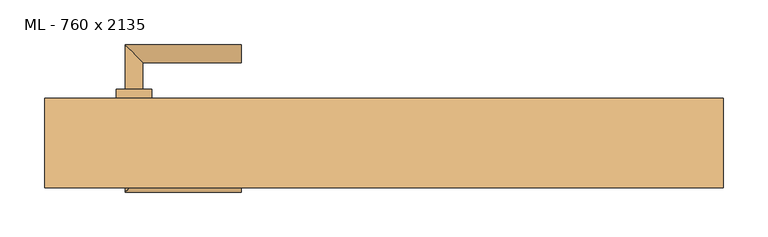
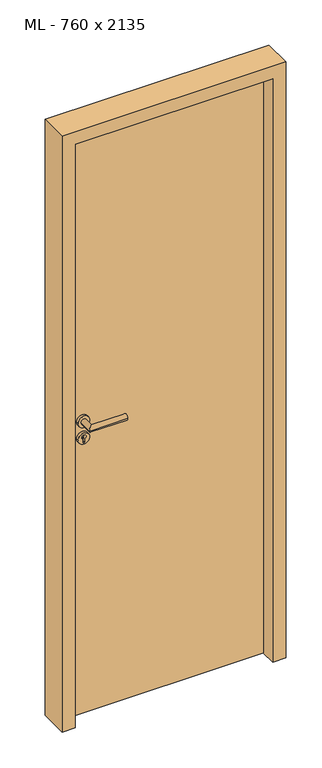
"""IFC4 building model written with IfcOpenShell, lengths in millimetres: door geometry, ML - 760 x 2135."""

from ifc_helpers import new_model, si_unit, point, frame, frame_2d, origin, origin_with_axes, place, context, project, spatial, polyline, circle_curve, ellipse_curve, trimmed, segment, composite_curve, outline, extrude, faceted_brep, source, transform, mapped, element, save
from ifc_brep_helpers import plane_surface, cylinder_surface, advanced_brep


def ml_760_x_2135_87b95336(model_context):
    return source(origin(), model_context, "Body", "SolidModel", [
        extrude(outline(polyline([(346.0, 50.0), (346.0, 5.0), (-346.0, 5.0), (-346.0, 50.0), (346.0, 50.0)])), origin_with_axes(), (0.0, 0.0, 1.0), 2101.0),
        advanced_brep(
        [(-270.0, 60.0, 1050.0), (-290.0, 60.0, 1050.0), (-270.0, 90.0, 1050.0), (-290.0, 110.0, 1050.0), (-160.0, 90.0, 1050.0), (-160.0, 110.0, 1050.0)],
        [
            (0, 1, circle_curve(frame((-280.0, 60.0, 1050.0), z_axis=(0.0, -1.0, 0.0), x_axis=(-1.0, 0.0, 0.0)), 10.0)),
            (1, 0, circle_curve(frame((-280.0, 60.0, 1050.0), z_axis=(0.0, -1.0, 0.0), x_axis=(-1.0, 0.0, 0.0)), 10.0)),
            (0, 2),
            (2, 3, ellipse_curve(frame((-280.0, 100.0, 1050.0), z_axis=(-0.7071067811865531, -0.7071067811865419, 0.0), x_axis=(0.707106781186542, -0.707106781186553, 0.0)), 14.1421356, 10.0)),
            (3, 1),
            (3, 2, ellipse_curve(frame((-280.0, 100.0, 1050.0), z_axis=(-0.7071067811865531, -0.7071067811865419, 0.0), x_axis=(0.707106781186542, -0.707106781186553, 0.0)), 14.1421356, 10.0)),
            (4, 5, circle_curve(frame((-160.0, 100.0, 1050.0), z_axis=(1.0, 0.0, 0.0), x_axis=(0.0, 1.0, 0.0)), 10.0)),
            (5, 4, circle_curve(frame((-160.0, 100.0, 1050.0), z_axis=(1.0, 0.0, 0.0), x_axis=(0.0, 1.0, 0.0)), 10.0)),
            (2, 4),
            (5, 3),
        ],
        [
            plane_surface(frame((-280.0, 60.0, 1050.0), z_axis=(0.0, -1.0, 0.0), x_axis=(0.0, 0.0, 1.0))),
            cylinder_surface(frame((-280.0, 60.0, 1050.0), z_axis=(0.0, -1.0, 0.0), x_axis=(-1.0, 0.0, 0.0)), 10.0),
            plane_surface(frame((-160.0, 100.0, 1050.0), z_axis=(1.0, 0.0, 0.0), x_axis=(0.0, 0.0, 1.0))),
            cylinder_surface(frame((-280.0, 100.0, 1050.0), z_axis=(-1.0, 0.0, 0.0), x_axis=(0.0, 1.0, 0.0)), 10.0),
        ],
        [
            (0, [[1, 2]]),
            (1, [[-1, 3, 4, 5]]),
            (1, [[-2, -5, 6, -3]]),
            (2, [[7, 8]]),
            (3, [[-4, 9, -8, 10]]),
            (3, [[-6, -10, -7, -9]]),
        ],
    ),
        extrude(outline(composite_curve([segment(trimmed(circle_curve(frame_2d((990.0, -280.0)), 20.0), [point((990.0, -300.0))], [point((990.0, -260.0))], False, "CARTESIAN"), True, "CONTINUOUS"), segment(trimmed(circle_curve(frame_2d((990.0, -280.0)), 20.0), [point((990.0, -260.0))], [point((990.0, -300.0))], False, "CARTESIAN"), True, "CONTINUOUS")], self_intersect=False), holes=[composite_curve([segment(polyline([(976.4601385, -282.397268), (988.4749012, -282.397268)]), True, "CONTINUOUS"), segment(trimmed(circle_curve(frame_2d((995.0361633, -280.0)), 6.9854888), [point((988.4749012, -282.397268))], [point((988.4749012, -277.602732))], True, "CARTESIAN"), True, "CONTINUOUS"), segment(polyline([(988.4749012, -277.602732), (976.4601385, -277.602732)]), True, "CONTINUOUS"), segment(trimmed(circle_curve(frame_2d((976.4601385, -280.0)), 2.397268), [point((976.4601385, -277.602732))], [point((976.4601385, -282.397268))], True, "CARTESIAN"), True, "CONTINUOUS")], self_intersect=False)]), frame((0.0, 50.0, 0.0), z_axis=(0.0, 1.0, 0.0), x_axis=(0.0, 0.0, 1.0)), (0.0, 0.0, 1.0), 10.0),
        advanced_brep(
        [(-270.0, 60.0, 1050.0), (-290.0, 60.0, 1050.0), (-270.0, 90.0, 1050.0), (-290.0, 110.0, 1050.0), (-160.0, 90.0, 1050.0), (-160.0, 110.0, 1050.0)],
        [
            (0, 1, circle_curve(frame((-280.0, 60.0, 1050.0), z_axis=(0.0, -1.0, 0.0), x_axis=(-1.0, 0.0, 0.0)), 10.0)),
            (1, 0, circle_curve(frame((-280.0, 60.0, 1050.0), z_axis=(0.0, -1.0, 0.0), x_axis=(-1.0, 0.0, 0.0)), 10.0)),
            (0, 2),
            (2, 3, ellipse_curve(frame((-280.0, 100.0, 1050.0), z_axis=(-0.7071067811865537, -0.7071067811865414, 0.0), x_axis=(0.7071067811865414, -0.7071067811865536, 0.0)), 14.1421356, 10.0)),
            (3, 1),
            (3, 2, ellipse_curve(frame((-280.0, 100.0, 1050.0), z_axis=(-0.7071067811865537, -0.7071067811865414, 0.0), x_axis=(0.7071067811865414, -0.7071067811865536, 0.0)), 14.1421356, 10.0)),
            (4, 5, circle_curve(frame((-160.0, 100.0, 1050.0), z_axis=(1.0, 0.0, 0.0), x_axis=(0.0, 1.0, 0.0)), 10.0)),
            (5, 4, circle_curve(frame((-160.0, 100.0, 1050.0), z_axis=(1.0, 0.0, 0.0), x_axis=(0.0, 1.0, 0.0)), 10.0)),
            (2, 4),
            (5, 3),
        ],
        [
            plane_surface(frame((-280.0, 60.0, 1050.0), z_axis=(0.0, -1.0, 0.0), x_axis=(0.0, 0.0, 1.0))),
            cylinder_surface(frame((-280.0, 60.0, 1050.0), z_axis=(0.0, -1.0, 0.0), x_axis=(-1.0, 0.0, 0.0)), 10.0),
            plane_surface(frame((-160.0, 100.0, 1050.0), z_axis=(1.0, 0.0, 0.0), x_axis=(0.0, 0.0, 1.0))),
            cylinder_surface(frame((-280.0, 100.0, 1050.0), z_axis=(-1.0, 0.0, 0.0), x_axis=(0.0, 1.0, 0.0)), 10.0),
        ],
        [
            (0, [[1, 2]]),
            (1, [[-1, 3, 4, 5]]),
            (1, [[-2, -5, 6, -3]]),
            (2, [[7, 8]]),
            (3, [[-4, 9, -8, 10]]),
            (3, [[-6, -10, -7, -9]]),
        ],
    ),
        extrude(outline(composite_curve([segment(trimmed(circle_curve(frame_2d((1050.0, -280.0)), 20.0), [point((1050.0, -300.0))], [point((1050.0, -260.0))], False, "CARTESIAN"), True, "CONTINUOUS"), segment(trimmed(circle_curve(frame_2d((1050.0, -280.0)), 20.0), [point((1050.0, -260.0))], [point((1050.0, -300.0))], False, "CARTESIAN"), True, "CONTINUOUS")], self_intersect=False)), frame((0.0, 50.0, 0.0), z_axis=(0.0, 1.0, 0.0), x_axis=(0.0, 0.0, 1.0)), (0.0, 0.0, 1.0), 10.0),
        advanced_brep(
        [(-270.0, -5.0, 1050.0), (-290.0, -5.0, 1050.0), (-290.0, -55.0, 1050.0), (-270.0, -35.0, 1050.0), (-160.0, -35.0, 1050.0), (-160.0, -55.0, 1050.0)],
        [
            (0, 1, circle_curve(frame((-280.0, -5.0, 1050.0), z_axis=(0.0, 1.0, 0.0), x_axis=(-1.0, 0.0, 0.0)), 10.0)),
            (1, 0, circle_curve(frame((-280.0, -5.0, 1050.0), z_axis=(0.0, 1.0, 0.0), x_axis=(-1.0, 0.0, 0.0)), 10.0)),
            (1, 2),
            (2, 3, ellipse_curve(frame((-280.0, -45.0, 1050.0), z_axis=(-0.7071067811865486, 0.7071067811865464, 0.0), x_axis=(0.7071067811865464, 0.7071067811865488, 0.0)), 14.1421356, 10.0)),
            (3, 0),
            (3, 2, ellipse_curve(frame((-280.0, -45.0, 1050.0), z_axis=(-0.7071067811865486, 0.7071067811865464, 0.0), x_axis=(0.7071067811865464, 0.7071067811865488, 0.0)), 14.1421356, 10.0)),
            (4, 5, circle_curve(frame((-160.0, -45.0, 1050.0), z_axis=(1.0, 0.0, 0.0), x_axis=(0.0, -1.0, 0.0)), 10.0)),
            (5, 4, circle_curve(frame((-160.0, -45.0, 1050.0), z_axis=(1.0, 0.0, 0.0), x_axis=(0.0, -1.0, 0.0)), 10.0)),
            (2, 5),
            (4, 3),
        ],
        [
            plane_surface(frame((-280.0, -5.0, 1050.0), z_axis=(0.0, 1.0, 0.0), x_axis=(0.0, 0.0, 1.0))),
            cylinder_surface(frame((-280.0, -5.0, 1050.0), z_axis=(0.0, 1.0, 0.0), x_axis=(-1.0, 0.0, 0.0)), 10.0),
            plane_surface(frame((-160.0, -45.0, 1050.0), z_axis=(1.0, 0.0, 0.0), x_axis=(0.0, 0.0, 1.0))),
            cylinder_surface(frame((-280.0, -45.0, 1050.0), z_axis=(-1.0, 0.0, 0.0), x_axis=(0.0, -1.0, 0.0)), 10.0),
        ],
        [
            (0, [[1, 2]]),
            (1, [[3, 4, 5, -2]]),
            (1, [[-5, 6, -3, -1]]),
            (2, [[7, 8]]),
            (3, [[9, -7, 10, -4]]),
            (3, [[-10, -8, -9, -6]]),
        ],
    ),
        extrude(outline(composite_curve([segment(trimmed(circle_curve(frame_2d((990.0, -280.0)), 20.0), [point((990.0, -300.0))], [point((990.0, -260.0))], False, "CARTESIAN"), True, "CONTINUOUS"), segment(trimmed(circle_curve(frame_2d((990.0, -280.0)), 20.0), [point((990.0, -260.0))], [point((990.0, -300.0))], False, "CARTESIAN"), True, "CONTINUOUS")], self_intersect=False), holes=[composite_curve([segment(polyline([(976.4601385, -282.397268), (988.4749012, -282.397268)]), True, "CONTINUOUS"), segment(trimmed(circle_curve(frame_2d((995.0361633, -280.0)), 6.9854888), [point((988.4749012, -282.397268))], [point((988.4749012, -277.602732))], True, "CARTESIAN"), True, "CONTINUOUS"), segment(polyline([(988.4749012, -277.602732), (976.4601385, -277.602732)]), True, "CONTINUOUS"), segment(trimmed(circle_curve(frame_2d((976.4601385, -280.0)), 2.397268), [point((976.4601385, -277.602732))], [point((976.4601385, -282.397268))], True, "CARTESIAN"), True, "CONTINUOUS")], self_intersect=False)]), frame((0.0, -5.0, 0.0), z_axis=(0.0, 1.0, 0.0), x_axis=(0.0, 0.0, 1.0)), (0.0, 0.0, 1.0), 10.0),
        advanced_brep(
        [(-270.0, -5.0, 1050.0), (-290.0, -5.0, 1050.0), (-290.0, -55.0, 1050.0), (-270.0, -35.0, 1050.0), (-160.0, -35.0, 1050.0), (-160.0, -55.0, 1050.0)],
        [
            (0, 1, circle_curve(frame((-280.0, -5.0, 1050.0), z_axis=(0.0, 1.0, 0.0), x_axis=(-1.0, 0.0, 0.0)), 10.0)),
            (1, 0, circle_curve(frame((-280.0, -5.0, 1050.0), z_axis=(0.0, 1.0, 0.0), x_axis=(-1.0, 0.0, 0.0)), 10.0)),
            (1, 2),
            (2, 3, ellipse_curve(frame((-280.0, -45.0, 1050.0), z_axis=(-0.7071067811865491, 0.7071067811865459, 0.0), x_axis=(0.7071067811865458, 0.7071067811865492, 0.0)), 14.1421356, 10.0)),
            (3, 0),
            (3, 2, ellipse_curve(frame((-280.0, -45.0, 1050.0), z_axis=(-0.7071067811865491, 0.7071067811865459, 0.0), x_axis=(0.7071067811865458, 0.7071067811865492, 0.0)), 14.1421356, 10.0)),
            (4, 5, circle_curve(frame((-160.0, -45.0, 1050.0), z_axis=(1.0, 0.0, 0.0), x_axis=(0.0, -1.0, 0.0)), 10.0)),
            (5, 4, circle_curve(frame((-160.0, -45.0, 1050.0), z_axis=(1.0, 0.0, 0.0), x_axis=(0.0, -1.0, 0.0)), 10.0)),
            (2, 5),
            (4, 3),
        ],
        [
            plane_surface(frame((-280.0, -5.0, 1050.0), z_axis=(0.0, 1.0, 0.0), x_axis=(0.0, 0.0, 1.0))),
            cylinder_surface(frame((-280.0, -5.0, 1050.0), z_axis=(0.0, 1.0, 0.0), x_axis=(-1.0, 0.0, 0.0)), 10.0),
            plane_surface(frame((-160.0, -45.0, 1050.0), z_axis=(1.0, 0.0, 0.0), x_axis=(0.0, 0.0, 1.0))),
            cylinder_surface(frame((-280.0, -45.0, 1050.0), z_axis=(-1.0, 0.0, 0.0), x_axis=(0.0, -1.0, 0.0)), 10.0),
        ],
        [
            (0, [[1, 2]]),
            (1, [[3, 4, 5, -2]]),
            (1, [[-5, 6, -3, -1]]),
            (2, [[7, 8]]),
            (3, [[9, -7, 10, -4]]),
            (3, [[-10, -8, -9, -6]]),
        ],
    ),
        extrude(outline(composite_curve([segment(trimmed(circle_curve(frame_2d((1050.0, -280.0)), 20.0), [point((1050.0, -300.0))], [point((1050.0, -260.0))], False, "CARTESIAN"), True, "CONTINUOUS"), segment(trimmed(circle_curve(frame_2d((1050.0, -280.0)), 20.0), [point((1050.0, -260.0))], [point((1050.0, -300.0))], False, "CARTESIAN"), True, "CONTINUOUS")], self_intersect=False)), frame((0.0, -5.0, 0.0), z_axis=(0.0, 1.0, 0.0), x_axis=(0.0, 0.0, 1.0)), (0.0, 0.0, 1.0), 10.0),
        faceted_brep([(-350.0, 50.0, 0.0), (-350.0, 5.0, 0.0), (-335.0, 5.0, 0.0), (-335.0, -50.0, 0.0), (-380.0, -50.0, 0.0), (-380.0, 50.0, 0.0), (-350.0, 50.0, 2105.0), (-350.0, 5.0, 2105.0), (350.0, 5.0, 2105.0), (350.0, 5.0, 0.0), (335.0, 5.0, 0.0), (335.0, 5.0, 2090.0), (-335.0, 5.0, 2090.0), (-335.0, -50.0, 2090.0), (335.0, -50.0, 2090.0), (335.0, -50.0, 0.0), (380.0, -50.0, 0.0), (380.0, -50.0, 2135.0), (-380.0, -50.0, 2135.0), (-380.0, 50.0, 2135.0), (380.0, 50.0, 2135.0), (380.0, 50.0, 0.0), (350.0, 50.0, 0.0), (350.0, 50.0, 2105.0)], [[[0, 1, 2, 3, 4, 5]], [[1, 0, 6, 7]], [[2, 1, 7, 8, 9, 10, 11, 12]], [[3, 2, 12, 13]], [[4, 3, 13, 14, 15, 16, 17, 18]], [[5, 4, 18, 19]], [[0, 5, 19, 20, 21, 22, 23, 6]], [[20, 17, 16, 21]], [[22, 21, 16, 15, 10, 9]], [[8, 23, 22, 9]], [[14, 11, 10, 15]], [[19, 18, 17, 20]], [[13, 12, 11, 14]], [[7, 6, 23, 8]]]),
    ])


if __name__ == "__main__":
    model = new_model("IFC4")
    model_context = context("Model", 3, world=origin())
    ifc_project = project(units=[si_unit("LENGTHUNIT", "METRE", prefix="MILLI")], contexts=[model_context])
    site = spatial("IfcSite", under=ifc_project)
    building = spatial("IfcBuilding", under=site)
    placement = place(None, origin())
    ml_760_x_2135_shape = ml_760_x_2135_87b95336(model_context)
    element("IfcDoor", 1, ObjectType="ML - 760 x 2135", at=placement, inside=building, context=model_context, shape_type="MappedRepresentation", body=[
        mapped(ml_760_x_2135_shape, transform((0.0, 0.0, 0.0), x_axis=(1.0, 0.0, 0.0), y_axis=(0.0, 1.0, 0.0), z_axis=(0.0, 0.0, 1.0))),
    ])
    save(model, "model.ifc")
